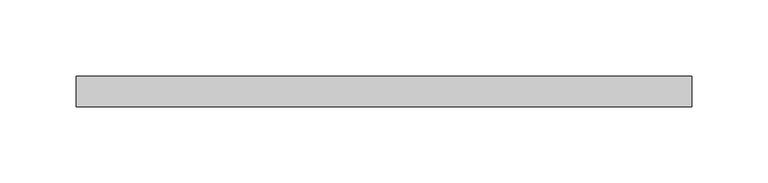
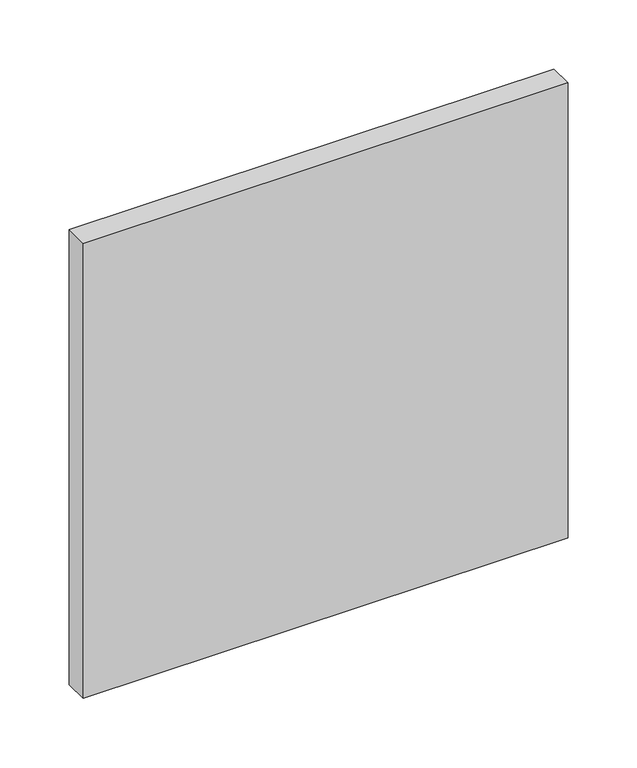
"""IFC4 building model written with IfcOpenShell, lengths in millimetres: plate geometry."""

from ifc_helpers import new_model, si_unit, frame, origin, place, context, project, spatial, polyline, outline, extrude, source, transform, mapped, element, save


def plate_b27753dd(model_context):
    return source(origin(), model_context, "Body", "SweptSolid", [
        extrude(outline(polyline([(0.0, -202.3913043), (0.0, 202.3913043), (285.2281898, 202.3913043), (401.6624409, 202.3913043), (401.6624409, -202.3913043), (0.0, -202.3913043)])), frame((0.0, 70.0, 0.0), z_axis=(0.0, 1.0, 0.0), x_axis=(0.0, 0.0, 1.0)), (0.0, 0.0, 1.0), 20.0),
    ])


if __name__ == "__main__":
    model = new_model("IFC4")
    model_context = context("Model", 3, world=origin())
    ifc_project = project(units=[si_unit("LENGTHUNIT", "METRE", prefix="MILLI")], contexts=[model_context])
    site = spatial("IfcSite", under=ifc_project)
    building = spatial("IfcBuilding", under=site)
    placement = place(None, origin())
    plate_shape = plate_b27753dd(model_context)
    element("IfcPlate", 1, at=placement, inside=building, context=model_context, shape_type="MappedRepresentation", body=[
        mapped(plate_shape, transform((0.0, 0.0, 0.0), x_axis=(1.0, 0.0, 0.0), y_axis=(0.0, 1.0, 0.0), z_axis=(0.0, 0.0, 1.0))),
    ])
    save(model, "model.ifc")
